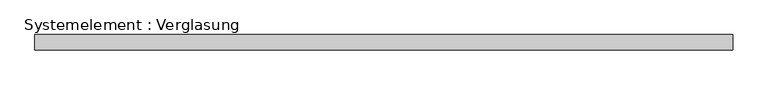
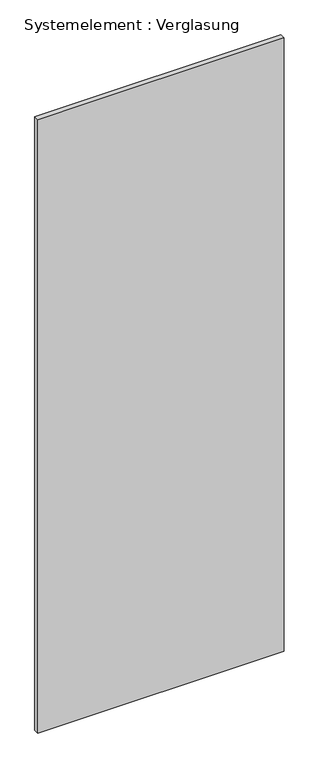
"""IFC4 building model written with IfcOpenShell, lengths in millimetres: plate geometry, Systemelement : Verglasung."""

import ifcopenshell
import ifcopenshell.guid

model = None  # the IFC model being written
_history = None  # IfcOwnerHistory: only IFC2X3 demands one
_inside = {}  # id of a spatial element -> (the spatial element, [elements in it])
_under = {}  # id of a project, library or spatial element -> (it, [spatial elements below it])
_declared = {}  # id of a project -> (the project, [libraries it declares])
_typed = {}  # id of a type object -> (the type object, [elements of that type])
_made_of = {}  # id of a material, layer set ... -> (it, [elements and type objects made of it])


def new_model(schema):
    """Start an empty IFC model of exactly this schema.

    Asked for "IFC4X3", IfcOpenShell would pick the latest addendum, in which some entities
    have other attributes; the version numbers below select the first issue.
    IFC2X3 requires an IfcOwnerHistory on every rooted entity: one is made here for all.
    """
    global model, _history
    if schema == "IFC4X3":
        model = ifcopenshell.file(schema_version=(4, 3, 0, 0))
    else:
        model = ifcopenshell.file(schema=schema)
    _inside.clear()
    _under.clear()
    _declared.clear()
    _typed.clear()
    _made_of.clear()
    _history = None
    if model.schema == "IFC2X3":
        org = make("IfcOrganization", Name="unknown")
        user = make(
            "IfcPersonAndOrganization",
            ThePerson=make("IfcPerson", FamilyName="unknown"),
            TheOrganization=org,
        )
        app = make(
            "IfcApplication",
            ApplicationDeveloper=org,
            Version="unknown",
            ApplicationFullName="unknown",
            ApplicationIdentifier="unknown",
        )
        _history = make(
            "IfcOwnerHistory",
            OwningUser=user,
            OwningApplication=app,
            ChangeAction="ADDED",
            CreationDate=0,
        )
    return model


def make(cls, **values):
    """One entity of the class cls with the attributes given. An attribute that is None is left unset."""
    return model.create_entity(
        cls, **{name: value for name, value in values.items() if value is not None}
    )


def rooted(cls, **values):
    """An entity with a GlobalId (a new one), such as an element, a storey or a relation."""
    return make(cls, GlobalId=ifcopenshell.guid.new(), OwnerHistory=_history, **values)


def si_unit(unit_type, name, prefix=None):
    """IfcSIUnit, for example si_unit("LENGTHUNIT", "METRE", prefix="MILLI")."""
    return make("IfcSIUnit", UnitType=unit_type, Prefix=prefix, Name=name)


def assignment(units):
    """IfcUnitAssignment: the units of a project."""
    return None if units is None else make("IfcUnitAssignment", Units=units)


def point(xyz):
    """IfcCartesianPoint."""
    return None if xyz is None else make("IfcCartesianPoint", Coordinates=xyz)


def direction(xyz):
    """IfcDirection."""
    return None if xyz is None else make("IfcDirection", DirectionRatios=xyz)


def frame(location, z_axis=None, x_axis=None):
    """IfcAxis2Placement3D, a coordinate frame: its origin and axes. An axis left out is left unset."""
    return make(
        "IfcAxis2Placement3D",
        Location=point(location),
        Axis=direction(z_axis),
        RefDirection=direction(x_axis),
    )


def origin():
    """The frame at (0, 0, 0) with its axes left unset."""
    return frame((0.0, 0.0, 0.0))


def origin_with_axes():
    """The frame at (0, 0, 0) with the z axis (0, 0, 1) and the x axis (1, 0, 0) written out."""
    return frame((0.0, 0.0, 0.0), z_axis=(0.0, 0.0, 1.0), x_axis=(1.0, 0.0, 0.0))


def place(relative_to, where):
    """IfcLocalPlacement: puts the frame where relative to a parent placement (None: the world)."""
    return make(
        "IfcLocalPlacement", PlacementRelTo=relative_to, RelativePlacement=where
    )


def context(
    kind, dimensions, precision=None, world=None, true_north=None, identifier=None
):
    """IfcGeometricRepresentationContext, for example the 3D "Model" context."""
    return make(
        "IfcGeometricRepresentationContext",
        ContextIdentifier=identifier,
        ContextType=kind,
        CoordinateSpaceDimension=dimensions,
        Precision=precision,
        WorldCoordinateSystem=world,
        TrueNorth=true_north,
    )


def project(units=None, contexts=None):
    """IfcProject with its units and contexts."""
    return rooted(
        "IfcProject",
        Name="project",
        RepresentationContexts=contexts,
        UnitsInContext=assignment(units),
    )


def spatial(cls, under=None, at=None, **own):
    """A site, building, storey or space (cls), placed at a placement, below another one or the project."""
    s = rooted(cls, ObjectPlacement=at, **own)
    if under is not None:
        _under.setdefault(under.id(), (under, []))[1].append(s)
    return s


def polyline(points):
    """IfcPolyline through the points."""
    return make("IfcPolyline", Points=[point(p) for p in points])


def outline(outer, holes=None, kind="AREA"):
    """IfcArbitraryClosedProfileDef: a profile drawn as a closed curve; with holes, ...WithVoids."""
    if holes is None:
        return make("IfcArbitraryClosedProfileDef", ProfileType=kind, OuterCurve=outer)
    return make(
        "IfcArbitraryProfileDefWithVoids",
        ProfileType=kind,
        OuterCurve=outer,
        InnerCurves=holes,
    )


def extrude(swept, where, along, depth):
    """IfcExtrudedAreaSolid: the profile swept, set in the frame where, extruded along a direction by depth."""
    return make(
        "IfcExtrudedAreaSolid",
        SweptArea=swept,
        Position=where,
        ExtrudedDirection=direction(along),
        Depth=depth,
    )


def shape(context_of_items, identifier, shape_type, items):
    """IfcShapeRepresentation: the items that make up one representation, for example the "Body"."""
    return make(
        "IfcShapeRepresentation",
        ContextOfItems=context_of_items,
        RepresentationIdentifier=identifier,
        RepresentationType=shape_type,
        Items=items,
    )


def source(mapping_origin, context_of_items, identifier, shape_type, items):
    """IfcRepresentationMap: a shape defined once, which mapped items show again and again."""
    return make(
        "IfcRepresentationMap",
        MappingOrigin=mapping_origin,
        MappedRepresentation=shape(context_of_items, identifier, shape_type, items),
    )


def transform(
    local_origin,
    x_axis=None,
    y_axis=None,
    z_axis=None,
    scale=None,
    scale2=None,
    scale3=None,
    uniform=True,
):
    """IfcCartesianTransformationOperator3D, or its non-uniform kind. x_axis, y_axis, z_axis: its Axis1, 2, 3."""
    if uniform:
        return make(
            "IfcCartesianTransformationOperator3D",
            Axis1=direction(x_axis),
            Axis2=direction(y_axis),
            LocalOrigin=point(local_origin),
            Scale=scale,
            Axis3=direction(z_axis),
        )
    return make(
        "IfcCartesianTransformationOperator3DnonUniform",
        Axis1=direction(x_axis),
        Axis2=direction(y_axis),
        LocalOrigin=point(local_origin),
        Scale=scale,
        Axis3=direction(z_axis),
        Scale2=scale2,
        Scale3=scale3,
    )


def mapped(mapping_source, mapping_target):
    """IfcMappedItem: shows the shape of a source again, moved by a transform."""
    return make(
        "IfcMappedItem", MappingSource=mapping_source, MappingTarget=mapping_target
    )


def made_of(thing, what):
    """Note that an element or type object is made of a material, layer set ...; save() writes the relation."""
    if what is not None:
        _made_of.setdefault(what.id(), (what, []))[1].append(thing)
    return thing


def element(
    cls,
    number,
    at=None,
    inside=None,
    cuts=None,
    type_object=None,
    material=None,
    context=None,
    identifier="Body",
    shape_type=None,
    held_by="IfcProductDefinitionShape",
    body=None,
    shapes=None,
    **own,
):
    """One element of the class cls, such as IfcWall. Its Tag is "e" and its number.

    at: its placement. inside: the storey or other place that contains it. cuts: it is an
    opening in that element (IfcRelVoidsElement). A single representation is given by context,
    identifier, shape_type and body (its items); several are given by shapes. held_by: the class
    of the entity that holds the representations. save() writes the other relations.
    """
    e = rooted(cls, Tag="e%d" % number, ObjectPlacement=at, **own)
    if body is not None:
        shapes = [shape(context, identifier, shape_type, body)]
    if shapes is not None:
        e.Representation = make(held_by, Representations=shapes)
    if inside is not None:
        _inside.setdefault(inside.id(), (inside, []))[1].append(e)
    if cuts is not None:
        rooted(
            "IfcRelVoidsElement", RelatingBuildingElement=cuts, RelatedOpeningElement=e
        )
    if type_object is not None:
        _typed.setdefault(type_object.id(), (type_object, []))[1].append(e)
    return made_of(e, material)


def aggregate(whole, parts):
    """IfcRelAggregates: a whole, such as a stair, and the parts it consists of."""
    return rooted("IfcRelAggregates", RelatingObject=whole, RelatedObjects=parts)


def save(model, path):
    """Write the relations noted so far, then the file.

    IfcRelAggregates (storeys below a building ...), IfcRelContainedInSpatialStructure (elements
    in a storey), IfcRelDefinesByType, IfcRelAssociatesMaterial and IfcRelDeclares: one each for
    every whole, place, type object, material and project.
    """
    for whole, parts in _under.values():
        aggregate(whole, parts)
    for where, things in _inside.values():
        rooted(
            "IfcRelContainedInSpatialStructure",
            RelatedElements=things,
            RelatingStructure=where,
        )
    for kind, things in _typed.values():
        rooted("IfcRelDefinesByType", RelatedObjects=things, RelatingType=kind)
    for what, things in _made_of.values():
        rooted("IfcRelAssociatesMaterial", RelatedObjects=things, RelatingMaterial=what)
    for by, libraries in _declared.values():
        rooted("IfcRelDeclares", RelatingContext=by, RelatedDefinitions=libraries)
    model.write(path)


def systemelement_verglasung_1f8a2d06(model_context):
    return source(origin(), model_context, "Body", "SweptSolid", [
        extrude(outline(polyline([(692.3201191, -15.0), (-692.3201191, -15.0), (-692.3201191, 15.0), (692.3201191, 15.0), (692.3201191, -15.0)])), origin_with_axes(), (0.0, 0.0, 1.0), 3645.0),
    ])


if __name__ == "__main__":
    model = new_model("IFC4")
    model_context = context("Model", 3, world=origin())
    ifc_project = project(units=[si_unit("LENGTHUNIT", "METRE", prefix="MILLI")], contexts=[model_context])
    site = spatial("IfcSite", under=ifc_project)
    building = spatial("IfcBuilding", under=site)
    placement = place(None, origin())
    systemelement_verglasung_shape = systemelement_verglasung_1f8a2d06(model_context)
    element("IfcPlate", 1, ObjectType="Systemelement : Verglasung", at=placement, inside=building, context=model_context, shape_type="MappedRepresentation", body=[
        mapped(systemelement_verglasung_shape, transform((0.0, 0.0, 0.0), x_axis=(1.0, 0.0, 0.0), y_axis=(0.0, 1.0, 0.0), z_axis=(0.0, 0.0, 1.0))),
    ])
    save(model, "model.ifc")
